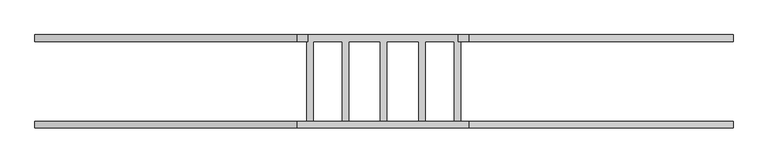
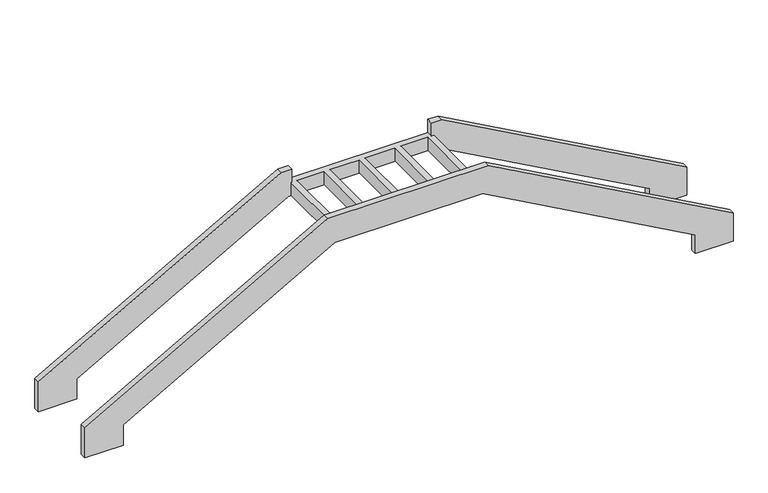
"""IFC4 building model written with IfcOpenShell, lengths in millimetres: stair geometry."""

from ifc_helpers import new_model, si_unit, origin, place, context, project, spatial, faceted_brep, source, transform, mapped, element, save


def stair_3deb8d60(model_context):
    return source(origin(), model_context, "Body", "Brep", [
        faceted_brep([(-79275.4551172, 100256.9166903, -2146.8763577), (-75847.3322468, 100256.9166903, -221.1765302), (-73448.0653234, 100256.9166903, -221.1765302), (-70006.1230947, 100256.9166903, -2134.8119217), (-70006.1230947, 100256.9166903, -2453.5005751), (-69396.4578446, 100256.9166903, -2453.5005751), (-69396.4578446, 100256.9166903, -1976.8531978), (-73363.570542, 100256.9166903, 228.7640832), (-75958.9789966, 100256.9166903, 228.7640832), (-79895.0758057, 100256.9166903, -1982.2829631), (-79895.0758057, 100256.9166903, -2494.9395685), (-79275.4551172, 100256.9166903, -2494.9395685), (-79275.4551172, 100357.1127866, -2146.8763577), (-79275.4551172, 100357.1127866, -2494.9395685), (-79895.0758057, 100357.1127866, -2494.9395685), (-79895.0758057, 100357.1127866, -1982.2829631), (-75958.9789966, 100357.1127866, 228.7640832), (-73363.570542, 100357.1127866, 228.7640832), (-69396.4578446, 100357.1127866, -1976.8531978), (-69396.4578446, 100357.1127866, -2453.5005751), (-70006.1230947, 100357.1127866, -2453.5005751), (-70006.1230947, 100357.1127866, -2134.8119217), (-73448.0653234, 100357.1127866, -221.1765302), (-75847.3322468, 100357.1127866, -221.1765302), (-75806.9262988, 100357.1127866, -213.9867204), (-75711.9533556, 100357.1127866, -213.9867204), (-75711.9533556, 100357.1127866, 0.875), (-75806.9262988, 100357.1127866, 0.875), (-75273.7258282, 100357.1127866, -213.9867204), (-75178.752885, 100357.1127866, -213.9867204), (-75178.752885, 100357.1127866, 0.875), (-75273.7258282, 100357.1127866, 0.875), (-74701.9475457, 100357.1127866, -213.9867204), (-74606.9746025, 100357.1127866, -213.9867204), (-74606.9746025, 100357.1127866, 0.875), (-74701.9475457, 100357.1127866, 0.875), (-74123.8914733, 100357.1127866, -213.9867204), (-74028.9185301, 100357.1127866, -213.9867204), (-74028.9185301, 100357.1127866, 0.875), (-74123.8914733, 100357.1127866, 0.875), (-73588.6561869, 100357.1127866, -213.9867204), (-73491.1832437, 100357.1127866, -213.9867204), (-73491.1832437, 100357.1127866, 0.875), (-73588.6561869, 100357.1127866, 0.875), (-79275.4551172, 101559.6583737, -2146.8763577), (-75847.3322468, 101559.6583737, -221.1765302), (-73448.0653234, 101559.6583737, -221.1765302), (-70006.1230947, 101559.6583737, -2134.8119217), (-70006.1230947, 101559.6583737, -2453.5005751), (-69396.4578446, 101559.6583737, -2453.5005751), (-69396.4578446, 101559.6583737, -1976.8531978), (-73363.570542, 101559.6583737, 228.7640832), (-73531.5869486, 101559.6583737, 228.7640832), (-73531.5869486, 101559.6583737, 0.8640832), (-73491.1832437, 101559.6583737, 0.875), (-73491.1832437, 101559.6583737, -213.9867204), (-73588.6561869, 101559.6583737, -213.9867204), (-73588.6561869, 101559.6583737, 0.875), (-74028.9185301, 101559.6583737, 0.875), (-74028.9185301, 101559.6583737, -213.9867204), (-74123.8914733, 101559.6583737, -213.9867204), (-74123.8914733, 101559.6583737, 0.875), (-74606.9746025, 101559.6583737, 0.875), (-74606.9746025, 101559.6583737, -213.9867204), (-74701.9475457, 101559.6583737, -213.9867204), (-74701.9475457, 101559.6583737, 0.875), (-75178.752885, 101559.6583737, 0.875), (-75178.752885, 101559.6583737, -213.9867204), (-75273.7258282, 101559.6583737, -213.9867204), (-75273.7258282, 101559.6583737, 0.875), (-75711.9533556, 101559.6583737, 0.875), (-75711.9533556, 101559.6583737, -213.9867204), (-75806.9262988, 101559.6583737, -213.9867204), (-75806.9262988, 101559.6583737, 0.875), (-75792.8288334, 101559.6583737, 0.875), (-75792.8288334, 101559.6583737, 228.7640832), (-75958.9789966, 101559.6583737, 228.7640832), (-79895.0758057, 101559.6583737, -1982.2829631), (-79895.0758057, 101559.6583737, -2494.9395685), (-79275.4551172, 101559.6583737, -2494.9395685), (-79275.4551172, 101659.85447, -2146.8763577), (-79275.4551172, 101659.85447, -2494.9395685), (-79895.0758057, 101659.85447, -2494.9395685), (-79895.0758057, 101659.85447, -1982.2829631), (-75958.9789966, 101659.85447, 228.7640832), (-75792.8288334, 101659.85447, 228.7640832), (-75792.8288334, 101659.85447, 0.8640832), (-73531.5869486, 101659.85447, 0.8640832), (-73531.5869486, 101659.85447, 228.7640832), (-73363.570542, 101659.85447, 228.7640832), (-69396.4578446, 101659.85447, -1976.8531978), (-69396.4578446, 101659.85447, -2453.5005751), (-70006.1230947, 101659.85447, -2453.5005751), (-70006.1230947, 101659.85447, -2134.8119217), (-73448.0653234, 101659.85447, -221.1765302), (-75847.3322468, 101659.85447, -221.1765302)], [[[0, 1, 2, 3, 4, 5, 6, 7, 8, 9, 10, 11]], [[12, 13, 14, 15, 16, 17, 18, 19, 20, 21, 22, 23], [24, 25, 26, 27], [28, 29, 30, 31], [32, 33, 34, 35], [36, 37, 38, 39], [40, 41, 42, 43]], [[1, 0, 12, 23]], [[2, 1, 23, 22]], [[3, 2, 22, 21]], [[4, 3, 21, 20]], [[5, 4, 20, 19]], [[6, 5, 19, 18]], [[7, 6, 18, 17]], [[8, 7, 17, 16]], [[9, 8, 16, 15]], [[10, 9, 15, 14]], [[11, 10, 14, 13]], [[0, 11, 13, 12]], [[44, 45, 46, 47, 48, 49, 50, 51, 52, 53, 54, 55, 56, 57, 58, 59, 60, 61, 62, 63, 64, 65, 66, 67, 68, 69, 70, 71, 72, 73, 74, 75, 76, 77, 78, 79]], [[80, 81, 82, 83, 84, 85, 86, 87, 88, 89, 90, 91, 92, 93, 94, 95]], [[45, 44, 80, 95]], [[46, 45, 95, 94]], [[47, 46, 94, 93]], [[48, 47, 93, 92]], [[49, 48, 92, 91]], [[50, 49, 91, 90]], [[51, 50, 90, 89]], [[52, 51, 89, 88]], [[77, 76, 84, 83]], [[78, 77, 83, 82]], [[79, 78, 82, 81]], [[44, 79, 81, 80]], [[87, 53, 52, 88]], [[75, 74, 86, 85]], [[76, 75, 85, 84]], [[25, 24, 72, 71]], [[26, 25, 71, 70]], [[27, 26, 70, 69, 31, 30, 66, 65, 35, 34, 62, 61, 39, 38, 58, 57, 43, 42, 54, 53, 87, 86, 74, 73]], [[24, 27, 73, 72]], [[29, 28, 68, 67]], [[30, 29, 67, 66]], [[28, 31, 69, 68]], [[33, 32, 64, 63]], [[34, 33, 63, 62]], [[32, 35, 65, 64]], [[37, 36, 60, 59]], [[38, 37, 59, 58]], [[36, 39, 61, 60]], [[41, 40, 56, 55]], [[42, 41, 55, 54]], [[40, 43, 57, 56]]]),
    ])


if __name__ == "__main__":
    model = new_model("IFC4")
    model_context = context("Model", 3, world=origin())
    ifc_project = project(units=[si_unit("LENGTHUNIT", "METRE", prefix="MILLI")], contexts=[model_context])
    site = spatial("IfcSite", under=ifc_project)
    building = spatial("IfcBuilding", under=site)
    placement = place(None, origin())
    stair_shape = stair_3deb8d60(model_context)
    element("IfcStair", 1, at=placement, inside=building, context=model_context, shape_type="MappedRepresentation", body=[
        mapped(stair_shape, transform((0.0, 0.0, 0.0), x_axis=(1.0, 0.0, 0.0), y_axis=(0.0, 1.0, 0.0), z_axis=(0.0, 0.0, 1.0))),
    ])
    save(model, "model.ifc")
